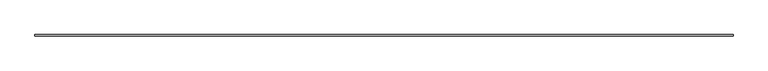
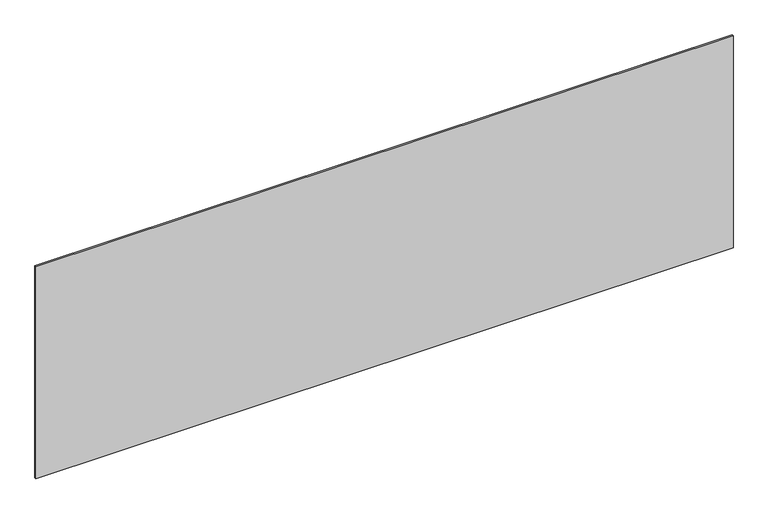
"""IFC4 building model written with IfcOpenShell, lengths in millimetres: plate geometry."""

from ifc_helpers import new_model, si_unit, origin, origin_with_axes, place, context, project, spatial, polyline, outline, extrude, source, transform, mapped, element, save


def plate_e556b48b(model_context):
    return source(origin(), model_context, "Body", "SweptSolid", [
        extrude(outline(polyline([(2264.1666667, -5.0), (-2264.1666667, -5.0), (-2264.1666667, 5.0), (2264.1666667, 5.0), (2264.1666667, -5.0)])), origin_with_axes(), (0.0, 0.0, 1.0), 1455.9537374),
    ])


if __name__ == "__main__":
    model = new_model("IFC4")
    model_context = context("Model", 3, world=origin())
    ifc_project = project(units=[si_unit("LENGTHUNIT", "METRE", prefix="MILLI")], contexts=[model_context])
    site = spatial("IfcSite", under=ifc_project)
    building = spatial("IfcBuilding", under=site)
    placement = place(None, origin())
    plate_shape = plate_e556b48b(model_context)
    element("IfcPlate", 1, at=placement, inside=building, context=model_context, shape_type="MappedRepresentation", body=[
        mapped(plate_shape, transform((0.0, 0.0, 0.0), x_axis=(1.0, 0.0, 0.0), y_axis=(0.0, 1.0, 0.0), z_axis=(0.0, 0.0, 1.0))),
    ])
    save(model, "model.ifc")
